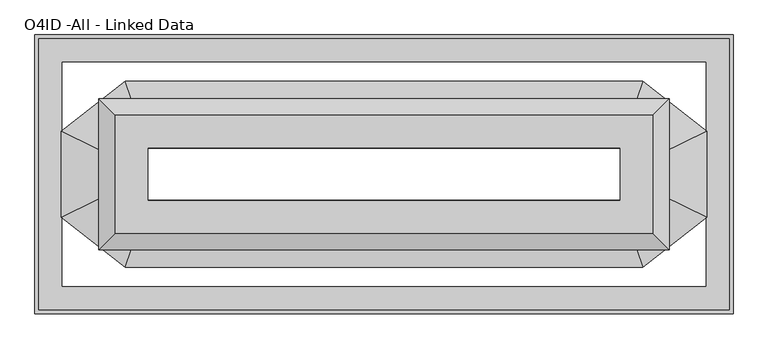
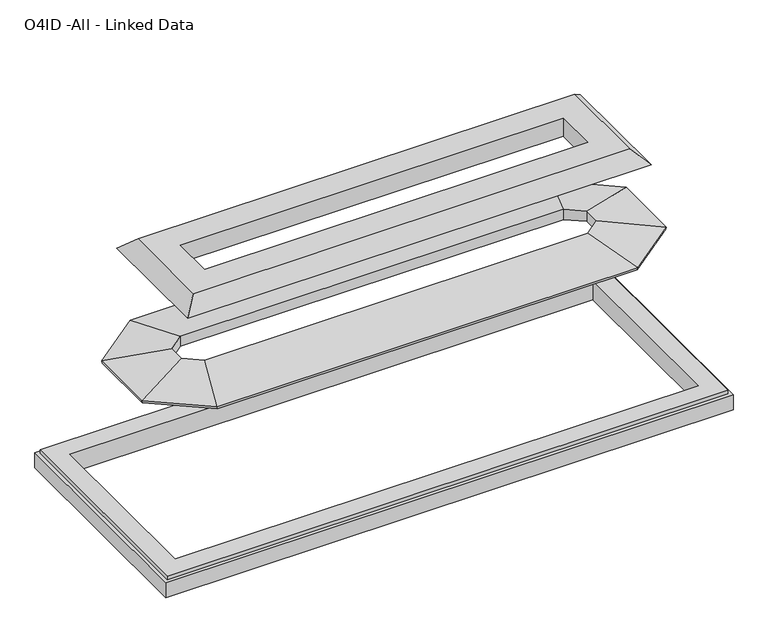
"""IFC4 building model written with IfcOpenShell, lengths in millimetres: proxy geometry, O4ID -All - Linked Data."""

import ifcopenshell
import ifcopenshell.guid

model = None  # the IFC model being written
_history = None  # IfcOwnerHistory: only IFC2X3 demands one
_inside = {}  # id of a spatial element -> (the spatial element, [elements in it])
_under = {}  # id of a project, library or spatial element -> (it, [spatial elements below it])
_declared = {}  # id of a project -> (the project, [libraries it declares])
_typed = {}  # id of a type object -> (the type object, [elements of that type])
_made_of = {}  # id of a material, layer set ... -> (it, [elements and type objects made of it])


def new_model(schema):
    """Start an empty IFC model of exactly this schema.

    Asked for "IFC4X3", IfcOpenShell would pick the latest addendum, in which some entities
    have other attributes; the version numbers below select the first issue.
    IFC2X3 requires an IfcOwnerHistory on every rooted entity: one is made here for all.
    """
    global model, _history
    if schema == "IFC4X3":
        model = ifcopenshell.file(schema_version=(4, 3, 0, 0))
    else:
        model = ifcopenshell.file(schema=schema)
    _inside.clear()
    _under.clear()
    _declared.clear()
    _typed.clear()
    _made_of.clear()
    _history = None
    if model.schema == "IFC2X3":
        org = make("IfcOrganization", Name="unknown")
        user = make(
            "IfcPersonAndOrganization",
            ThePerson=make("IfcPerson", FamilyName="unknown"),
            TheOrganization=org,
        )
        app = make(
            "IfcApplication",
            ApplicationDeveloper=org,
            Version="unknown",
            ApplicationFullName="unknown",
            ApplicationIdentifier="unknown",
        )
        _history = make(
            "IfcOwnerHistory",
            OwningUser=user,
            OwningApplication=app,
            ChangeAction="ADDED",
            CreationDate=0,
        )
    return model


def make(cls, **values):
    """One entity of the class cls with the attributes given. An attribute that is None is left unset."""
    return model.create_entity(
        cls, **{name: value for name, value in values.items() if value is not None}
    )


def rooted(cls, **values):
    """An entity with a GlobalId (a new one), such as an element, a storey or a relation."""
    return make(cls, GlobalId=ifcopenshell.guid.new(), OwnerHistory=_history, **values)


def si_unit(unit_type, name, prefix=None):
    """IfcSIUnit, for example si_unit("LENGTHUNIT", "METRE", prefix="MILLI")."""
    return make("IfcSIUnit", UnitType=unit_type, Prefix=prefix, Name=name)


def assignment(units):
    """IfcUnitAssignment: the units of a project."""
    return None if units is None else make("IfcUnitAssignment", Units=units)


def point(xyz):
    """IfcCartesianPoint."""
    return None if xyz is None else make("IfcCartesianPoint", Coordinates=xyz)


def direction(xyz):
    """IfcDirection."""
    return None if xyz is None else make("IfcDirection", DirectionRatios=xyz)


def frame(location, z_axis=None, x_axis=None):
    """IfcAxis2Placement3D, a coordinate frame: its origin and axes. An axis left out is left unset."""
    return make(
        "IfcAxis2Placement3D",
        Location=point(location),
        Axis=direction(z_axis),
        RefDirection=direction(x_axis),
    )


def origin():
    """The frame at (0, 0, 0) with its axes left unset."""
    return frame((0.0, 0.0, 0.0))


def place(relative_to, where):
    """IfcLocalPlacement: puts the frame where relative to a parent placement (None: the world)."""
    return make(
        "IfcLocalPlacement", PlacementRelTo=relative_to, RelativePlacement=where
    )


def context(
    kind, dimensions, precision=None, world=None, true_north=None, identifier=None
):
    """IfcGeometricRepresentationContext, for example the 3D "Model" context."""
    return make(
        "IfcGeometricRepresentationContext",
        ContextIdentifier=identifier,
        ContextType=kind,
        CoordinateSpaceDimension=dimensions,
        Precision=precision,
        WorldCoordinateSystem=world,
        TrueNorth=true_north,
    )


def project(units=None, contexts=None):
    """IfcProject with its units and contexts."""
    return rooted(
        "IfcProject",
        Name="project",
        RepresentationContexts=contexts,
        UnitsInContext=assignment(units),
    )


def spatial(cls, under=None, at=None, **own):
    """A site, building, storey or space (cls), placed at a placement, below another one or the project."""
    s = rooted(cls, ObjectPlacement=at, **own)
    if under is not None:
        _under.setdefault(under.id(), (under, []))[1].append(s)
    return s


def faces_of(points, faces, orient=None, outer=None):
    """IfcFace entities. A face is a list of loops; a loop is a list of indices into points, from 0.

    orient and outer hold one flag for each loop. By default every Orientation is true, the
    first loop of a face is its IfcFaceOuterBound and the others are IfcFaceBound.
    """
    made = []
    for i, loops in enumerate(faces):
        bounds = []
        for j, loop in enumerate(loops):
            is_outer = j == 0 if outer is None else outer[i][j]
            bounds.append(
                make(
                    "IfcFaceOuterBound" if is_outer else "IfcFaceBound",
                    Bound=make("IfcPolyLoop", Polygon=[points[k] for k in loop]),
                    Orientation=True if orient is None else orient[i][j],
                )
            )
        made.append(make("IfcFace", Bounds=bounds))
    return made


def faceted_brep(points, faces, orient=None, outer=None, voids=None):
    """IfcFacetedBrep: a solid bounded by flat faces; with voids (closed shells), ...WithVoids."""
    shared = [point(p) for p in points]
    hull = make("IfcClosedShell", CfsFaces=faces_of(shared, faces, orient, outer))
    if voids is None:
        return make("IfcFacetedBrep", Outer=hull)
    return make(
        "IfcFacetedBrepWithVoids",
        Outer=hull,
        Voids=[
            make(cls, CfsFaces=faces_of(shared, fs, o, b)) for cls, fs, o, b in voids
        ],
    )


def shape(context_of_items, identifier, shape_type, items):
    """IfcShapeRepresentation: the items that make up one representation, for example the "Body"."""
    return make(
        "IfcShapeRepresentation",
        ContextOfItems=context_of_items,
        RepresentationIdentifier=identifier,
        RepresentationType=shape_type,
        Items=items,
    )


def source(mapping_origin, context_of_items, identifier, shape_type, items):
    """IfcRepresentationMap: a shape defined once, which mapped items show again and again."""
    return make(
        "IfcRepresentationMap",
        MappingOrigin=mapping_origin,
        MappedRepresentation=shape(context_of_items, identifier, shape_type, items),
    )


def transform(
    local_origin,
    x_axis=None,
    y_axis=None,
    z_axis=None,
    scale=None,
    scale2=None,
    scale3=None,
    uniform=True,
):
    """IfcCartesianTransformationOperator3D, or its non-uniform kind. x_axis, y_axis, z_axis: its Axis1, 2, 3."""
    if uniform:
        return make(
            "IfcCartesianTransformationOperator3D",
            Axis1=direction(x_axis),
            Axis2=direction(y_axis),
            LocalOrigin=point(local_origin),
            Scale=scale,
            Axis3=direction(z_axis),
        )
    return make(
        "IfcCartesianTransformationOperator3DnonUniform",
        Axis1=direction(x_axis),
        Axis2=direction(y_axis),
        LocalOrigin=point(local_origin),
        Scale=scale,
        Axis3=direction(z_axis),
        Scale2=scale2,
        Scale3=scale3,
    )


def mapped(mapping_source, mapping_target):
    """IfcMappedItem: shows the shape of a source again, moved by a transform."""
    return make(
        "IfcMappedItem", MappingSource=mapping_source, MappingTarget=mapping_target
    )


def made_of(thing, what):
    """Note that an element or type object is made of a material, layer set ...; save() writes the relation."""
    if what is not None:
        _made_of.setdefault(what.id(), (what, []))[1].append(thing)
    return thing


def element(
    cls,
    number,
    at=None,
    inside=None,
    cuts=None,
    type_object=None,
    material=None,
    context=None,
    identifier="Body",
    shape_type=None,
    held_by="IfcProductDefinitionShape",
    body=None,
    shapes=None,
    **own,
):
    """One element of the class cls, such as IfcWall. Its Tag is "e" and its number.

    at: its placement. inside: the storey or other place that contains it. cuts: it is an
    opening in that element (IfcRelVoidsElement). A single representation is given by context,
    identifier, shape_type and body (its items); several are given by shapes. held_by: the class
    of the entity that holds the representations. save() writes the other relations.
    """
    e = rooted(cls, Tag="e%d" % number, ObjectPlacement=at, **own)
    if body is not None:
        shapes = [shape(context, identifier, shape_type, body)]
    if shapes is not None:
        e.Representation = make(held_by, Representations=shapes)
    if inside is not None:
        _inside.setdefault(inside.id(), (inside, []))[1].append(e)
    if cuts is not None:
        rooted(
            "IfcRelVoidsElement", RelatingBuildingElement=cuts, RelatedOpeningElement=e
        )
    if type_object is not None:
        _typed.setdefault(type_object.id(), (type_object, []))[1].append(e)
    return made_of(e, material)


def aggregate(whole, parts):
    """IfcRelAggregates: a whole, such as a stair, and the parts it consists of."""
    return rooted("IfcRelAggregates", RelatingObject=whole, RelatedObjects=parts)


def save(model, path):
    """Write the relations noted so far, then the file.

    IfcRelAggregates (storeys below a building ...), IfcRelContainedInSpatialStructure (elements
    in a storey), IfcRelDefinesByType, IfcRelAssociatesMaterial and IfcRelDeclares: one each for
    every whole, place, type object, material and project.
    """
    for whole, parts in _under.values():
        aggregate(whole, parts)
    for where, things in _inside.values():
        rooted(
            "IfcRelContainedInSpatialStructure",
            RelatedElements=things,
            RelatingStructure=where,
        )
    for kind, things in _typed.values():
        rooted("IfcRelDefinesByType", RelatedObjects=things, RelatingType=kind)
    for what, things in _made_of.values():
        rooted("IfcRelAssociatesMaterial", RelatedObjects=things, RelatingMaterial=what)
    for by, libraries in _declared.values():
        rooted("IfcRelDeclares", RelatingContext=by, RelatedDefinitions=libraries)
    model.write(path)


def o4id_all_linked_data_c50323d6(model_context):
    return source(origin(), model_context, "Body", "Brep", [
        faceted_brep([(3060.0633413, -1128.1373819, 995.8677213), (3059.3039846, -1130.3427138, 983.3606629), (839.1902753, -1130.3427138, 983.3606629), (838.4309186, -1128.1373819, 995.8677213), (3103.6867915, -1001.4456831, 973.5285566), (794.8074684, -1001.4456831, 973.5285566), (3104.493608, -999.102518, 986.8173062), (794.0006519, -999.102518, 986.8173062), (3001.1369938, -1299.2719211, 1039.7452708), (897.3572661, -1299.2719211, 1039.7452708), (3001.1369938, -1299.2719211, 981.0712082), (897.3572661, -1299.2719211, 981.0712082), (637.3227269, -1285.2603215, 995.8677213), (639.5280587, -1286.3359337, 983.3606629), (639.5280587, -1542.3319085, 983.3606629), (637.3227269, -1543.4075207, 995.8677213), (510.631028, -1223.4686513, 973.5285566), (510.631028, -1605.1991909, 973.5285566), (508.2878629, -1222.3258133, 986.8173062), (508.2878629, -1606.3420289, 986.8173062), (808.4572661, -1368.7282133, 1039.7452708), (808.4572661, -1459.9396289, 1039.7452708), (808.4572661, -1368.7282133, 981.0712082), (808.4572661, -1459.9396289, 981.0712082), (838.4309186, -1700.5304603, 995.8677213), (839.1902753, -1698.3251285, 983.3606629), (3059.3039846, -1698.3251285, 983.3606629), (3060.0633413, -1700.5304603, 995.8677213), (794.8074684, -1827.2221592, 973.5285566), (3103.6867915, -1827.2221592, 973.5285566), (794.0006519, -1829.5653242, 986.8173062), (3104.493608, -1829.5653242, 986.8173062), (897.3572661, -1529.3959211, 1039.7452708), (3001.1369938, -1529.3959211, 1039.7452708), (897.3572661, -1529.3959211, 981.0712082), (3001.1369938, -1529.3959211, 981.0712082), (3258.9662012, -1542.3319085, 983.3606629), (3261.171533, -1543.4075207, 995.8677213), (3387.8632319, -1605.1991909, 973.5285566), (3390.2063969, -1606.3420289, 986.8173062), (3090.0369938, -1459.9396289, 1039.7452708), (3090.0369938, -1459.9396289, 981.0712082), (3258.9662012, -1286.3359337, 983.3606629), (3261.171533, -1285.2603215, 995.8677213), (3387.8632319, -1223.4686513, 973.5285566), (3390.2063969, -1222.3258133, 986.8173062), (3090.0369938, -1368.7282133, 1039.7452708), (3090.0369938, -1368.7282133, 981.0712082)], [[[0, 1, 2, 3]], [[4, 0, 3, 5]], [[6, 4, 5, 7]], [[8, 6, 7, 9]], [[10, 8, 9, 11]], [[1, 10, 11, 2]], [[12, 13, 14, 15]], [[16, 12, 15, 17]], [[18, 16, 17, 19]], [[20, 18, 19, 21]], [[22, 20, 21, 23]], [[13, 22, 23, 14]], [[24, 25, 26, 27]], [[28, 24, 27, 29]], [[30, 28, 29, 31]], [[32, 30, 31, 33]], [[34, 32, 33, 35]], [[25, 34, 35, 26]], [[3, 2, 13, 12]], [[5, 3, 12, 16]], [[7, 5, 16, 18]], [[9, 7, 18, 20]], [[11, 9, 20, 22]], [[2, 11, 22, 13]], [[15, 14, 25, 24]], [[17, 15, 24, 28]], [[19, 17, 28, 30]], [[21, 19, 30, 32]], [[23, 21, 32, 34]], [[14, 23, 34, 25]], [[27, 26, 36, 37]], [[29, 27, 37, 38]], [[31, 29, 38, 39]], [[33, 31, 39, 40]], [[35, 33, 40, 41]], [[26, 35, 41, 36]], [[37, 36, 42, 43]], [[38, 37, 43, 44]], [[39, 38, 44, 45]], [[40, 39, 45, 46]], [[41, 40, 46, 47]], [[36, 41, 47, 42]], [[43, 42, 1, 0]], [[44, 43, 0, 4]], [[45, 44, 4, 6]], [[46, 45, 6, 8]], [[47, 46, 8, 10]], [[42, 47, 10, 1]]]),
        faceted_brep([(3508.1844993, -2036.4434266, 233.7483804), (3508.1844993, -2036.4434266, 146.05), (3508.1844993, -792.224428, 146.05), (3508.1844993, -792.224428, 233.7483804), (3490.2774993, -2018.5364266, 254.0), (3490.2774993, -2018.5364266, 233.7483804), (3490.2774993, -810.131428, 233.7483804), (3490.2774993, -810.131428, 254.0), (3386.4735789, -1914.7325062, 146.05), (3386.4735789, -1914.7325062, 254.0), (3386.4735789, -913.9353484, 254.0), (3386.4735789, -913.9353484, 146.05), (390.7155007, -792.224428, 146.05), (390.7155007, -792.224428, 233.7483804), (408.6225007, -810.131428, 233.7483804), (408.6225007, -810.131428, 254.0), (512.4264211, -913.9353484, 254.0), (512.4264211, -913.9353484, 146.05), (390.7155007, -2036.4434266, 146.05), (390.7155007, -2036.4434266, 233.7483804), (408.6225007, -2018.5364266, 233.7483804), (408.6225007, -2018.5364266, 254.0), (512.4264211, -1914.7325062, 254.0), (512.4264211, -1914.7325062, 146.05)], [[[0, 1, 2, 3]], [[4, 5, 6, 7]], [[8, 9, 10, 11]], [[3, 2, 12, 13]], [[7, 6, 14, 15]], [[11, 10, 16, 17]], [[13, 12, 18, 19]], [[15, 14, 20, 21]], [[17, 16, 22, 23]], [[19, 18, 1, 0]], [[3, 13, 19, 0], [5, 20, 14, 6]], [[21, 20, 5, 4]], [[7, 15, 21, 4], [9, 22, 16, 10]], [[23, 22, 9, 8]], [[1, 18, 12, 2], [11, 17, 23, 8]]]),
        faceted_brep([(3096.587262, -1624.8461893, 1451.8137468), (3082.8271571, -1611.0860844, 1465.0574766), (3082.8271571, -1217.5817702, 1465.0574766), (3096.587262, -1203.8216653, 1451.8137468), (3160.300553, -1688.5594803, 1517.7907911), (3160.300553, -1140.1083743, 1517.7907911), (3183.2999569, -1711.5588842, 1494.7913873), (3183.2999569, -1117.1089704, 1494.7913873), (3148.8515254, -1677.1104527, 1568.45), (3222.5101382, -1750.7690655, 1494.7913873), (3222.5101382, -1077.8987891, 1494.7913873), (3148.8515254, -1151.5574019, 1568.45), (3001.1369938, -1529.3959211, 1465.0574766), (3001.1369938, -1529.3959211, 1568.45), (3001.1369938, -1299.2719335, 1568.45), (3001.1369938, -1299.2719335, 1465.0574766), (816.0728429, -1217.5817702, 1465.0574766), (802.312738, -1203.8216653, 1451.8137468), (738.599447, -1140.1083743, 1517.7907911), (715.6000431, -1117.1089704, 1494.7913873), (676.3898618, -1077.8987891, 1494.7913873), (750.0484746, -1151.5574019, 1568.45), (897.7630062, -1299.2719335, 1568.45), (897.7630062, -1299.2719335, 1465.0574766), (816.0728429, -1611.0860844, 1465.0574766), (802.312738, -1624.8461893, 1451.8137468), (738.599447, -1688.5594803, 1517.7907911), (715.6000431, -1711.5588842, 1494.7913873), (676.3898618, -1750.7690655, 1494.7913873), (750.0484746, -1677.1104527, 1568.45), (897.7630062, -1529.3959211, 1568.45), (897.7630062, -1529.3959211, 1465.0574766)], [[[0, 1, 2, 3]], [[4, 0, 3, 5]], [[6, 4, 5, 7]], [[8, 9, 10, 11]], [[12, 13, 14, 15]], [[3, 2, 16, 17]], [[5, 3, 17, 18]], [[7, 5, 18, 19]], [[11, 10, 20, 21]], [[15, 14, 22, 23]], [[17, 16, 24, 25]], [[18, 17, 25, 26]], [[19, 18, 26, 27]], [[21, 20, 28, 29]], [[23, 22, 30, 31]], [[1, 24, 16, 2], [15, 23, 31, 12]], [[25, 24, 1, 0]], [[26, 25, 0, 4]], [[27, 26, 4, 6]], [[9, 28, 20, 10], [7, 19, 27, 6]], [[29, 28, 9, 8]], [[11, 21, 29, 8], [13, 30, 22, 14]], [[31, 30, 13, 12]]]),
    ])


if __name__ == "__main__":
    model = new_model("IFC4")
    model_context = context("Model", 3, world=origin())
    ifc_project = project(units=[si_unit("LENGTHUNIT", "METRE", prefix="MILLI")], contexts=[model_context])
    site = spatial("IfcSite", under=ifc_project)
    building = spatial("IfcBuilding", under=site)
    placement = place(None, origin())
    o4id_all_linked_data_shape = o4id_all_linked_data_c50323d6(model_context)
    element("IfcBuildingElementProxy", 1, Name="O4ID -All - Linked Data", ObjectType="O4ID -All - Linked Data", at=placement, inside=building, context=model_context, shape_type="MappedRepresentation", body=[
        mapped(o4id_all_linked_data_shape, transform((0.0, 0.0, 0.0), x_axis=(1.0, 0.0, 0.0), y_axis=(0.0, 1.0, 0.0), z_axis=(0.0, 0.0, 1.0))),
    ])
    save(model, "model.ifc")
